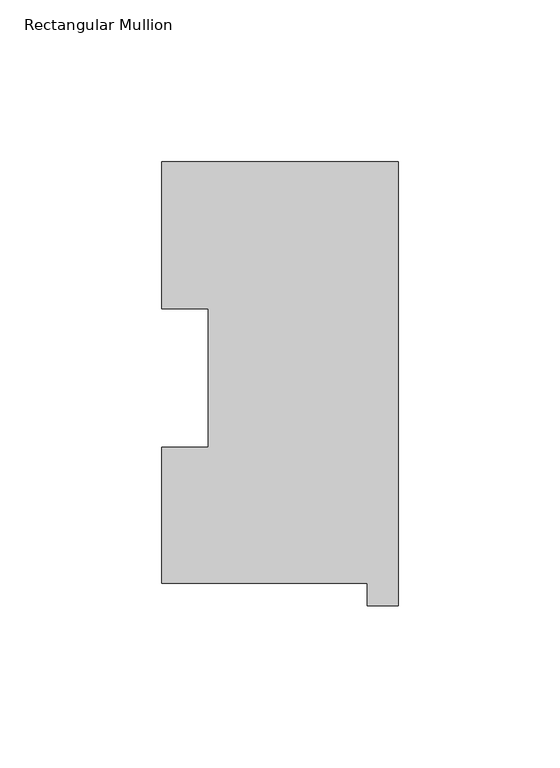
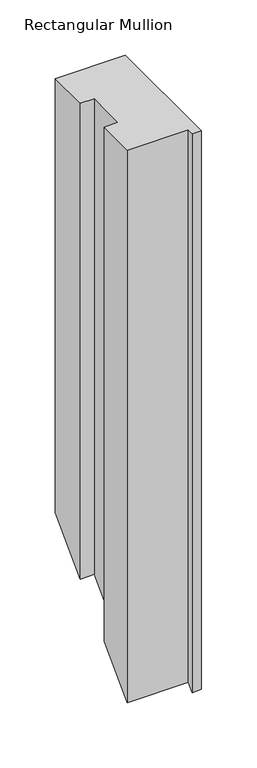
"""IFC4 building model written with IfcOpenShell, lengths in millimetres: member geometry, Rectangular Mullion."""

from ifc_helpers import new_model, si_unit, origin, place, context, project, spatial, faceted_brep, source, transform, mapped, element, save


def rectangular_mullion_77ed5e3c(model_context):
    return source(origin(), model_context, "Body", "Brep", [
        faceted_brep([(-9.525, 0.04445, 0.0), (-9.525, -6.86435, 0.0), (0.0, -6.86435, 0.0), (0.0, 130.34645, 0.0), (-73.025, 130.34645, 0.0), (-73.025, 84.93125, 0.0), (-58.7502, 84.93125, 0.0), (-58.7502, 42.08145, 0.0), (-73.025, 42.08145, 0.0), (-73.025, 0.04445, 0.0), (-9.525, 0.04445, -609.5238), (-9.525, -6.86435, -616.4326), (0.0, -6.86435, -616.4326), (0.0, 130.34645, -479.2218), (-73.025, 130.34645, -479.2218), (-73.025, 84.93125, -524.637), (-58.7502, 84.93125, -524.637), (-58.7502, 42.08145, -567.4868), (-73.025, 42.08145, -567.4868), (-73.025, 0.04445, -609.5238)], [[[0, 1, 2, 3, 4, 5, 6, 7, 8, 9]], [[1, 0, 10, 11]], [[2, 1, 11, 12]], [[3, 2, 12, 13]], [[4, 3, 13, 14]], [[5, 4, 14, 15]], [[6, 5, 15, 16]], [[7, 6, 16, 17]], [[8, 7, 17, 18]], [[9, 8, 18, 19]], [[0, 9, 19, 10]], [[10, 19, 18, 17, 16, 15, 14, 13, 12, 11]]]),
    ])


if __name__ == "__main__":
    model = new_model("IFC4")
    model_context = context("Model", 3, world=origin())
    ifc_project = project(units=[si_unit("LENGTHUNIT", "METRE", prefix="MILLI")], contexts=[model_context])
    site = spatial("IfcSite", under=ifc_project)
    building = spatial("IfcBuilding", under=site)
    placement = place(None, origin())
    rectangular_mullion_shape = rectangular_mullion_77ed5e3c(model_context)
    element("IfcMember", 1, ObjectType="Rectangular Mullion", at=placement, inside=building, context=model_context, shape_type="MappedRepresentation", body=[
        mapped(rectangular_mullion_shape, transform((0.0, 0.0, 0.0), x_axis=(1.0, 0.0, 0.0), y_axis=(0.0, 1.0, 0.0), z_axis=(0.0, 0.0, 1.0))),
    ])
    save(model, "model.ifc")
